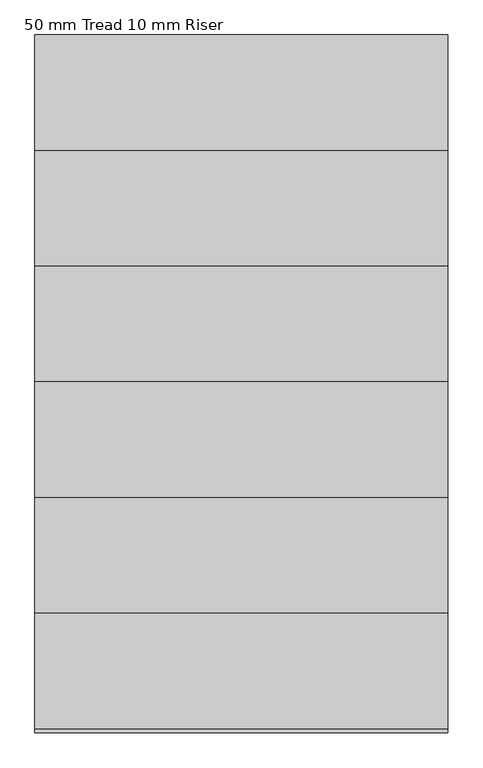
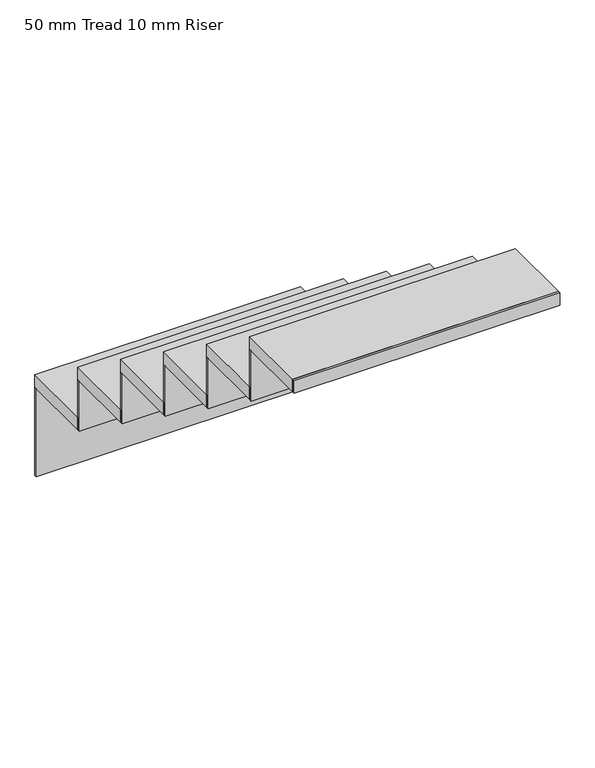
"""IFC4 building model written with IfcOpenShell, lengths in millimetres: stair flight geometry, 50 mm Tread 10 mm Riser."""

import ifcopenshell
import ifcopenshell.guid

model = None  # the IFC model being written
_history = None  # IfcOwnerHistory: only IFC2X3 demands one
_inside = {}  # id of a spatial element -> (the spatial element, [elements in it])
_under = {}  # id of a project, library or spatial element -> (it, [spatial elements below it])
_declared = {}  # id of a project -> (the project, [libraries it declares])
_typed = {}  # id of a type object -> (the type object, [elements of that type])
_made_of = {}  # id of a material, layer set ... -> (it, [elements and type objects made of it])


def new_model(schema):
    """Start an empty IFC model of exactly this schema.

    Asked for "IFC4X3", IfcOpenShell would pick the latest addendum, in which some entities
    have other attributes; the version numbers below select the first issue.
    IFC2X3 requires an IfcOwnerHistory on every rooted entity: one is made here for all.
    """
    global model, _history
    if schema == "IFC4X3":
        model = ifcopenshell.file(schema_version=(4, 3, 0, 0))
    else:
        model = ifcopenshell.file(schema=schema)
    _inside.clear()
    _under.clear()
    _declared.clear()
    _typed.clear()
    _made_of.clear()
    _history = None
    if model.schema == "IFC2X3":
        org = make("IfcOrganization", Name="unknown")
        user = make(
            "IfcPersonAndOrganization",
            ThePerson=make("IfcPerson", FamilyName="unknown"),
            TheOrganization=org,
        )
        app = make(
            "IfcApplication",
            ApplicationDeveloper=org,
            Version="unknown",
            ApplicationFullName="unknown",
            ApplicationIdentifier="unknown",
        )
        _history = make(
            "IfcOwnerHistory",
            OwningUser=user,
            OwningApplication=app,
            ChangeAction="ADDED",
            CreationDate=0,
        )
    return model


def make(cls, **values):
    """One entity of the class cls with the attributes given. An attribute that is None is left unset."""
    return model.create_entity(
        cls, **{name: value for name, value in values.items() if value is not None}
    )


def rooted(cls, **values):
    """An entity with a GlobalId (a new one), such as an element, a storey or a relation."""
    return make(cls, GlobalId=ifcopenshell.guid.new(), OwnerHistory=_history, **values)


def si_unit(unit_type, name, prefix=None):
    """IfcSIUnit, for example si_unit("LENGTHUNIT", "METRE", prefix="MILLI")."""
    return make("IfcSIUnit", UnitType=unit_type, Prefix=prefix, Name=name)


def assignment(units):
    """IfcUnitAssignment: the units of a project."""
    return None if units is None else make("IfcUnitAssignment", Units=units)


def point(xyz):
    """IfcCartesianPoint."""
    return None if xyz is None else make("IfcCartesianPoint", Coordinates=xyz)


def direction(xyz):
    """IfcDirection."""
    return None if xyz is None else make("IfcDirection", DirectionRatios=xyz)


def frame(location, z_axis=None, x_axis=None):
    """IfcAxis2Placement3D, a coordinate frame: its origin and axes. An axis left out is left unset."""
    return make(
        "IfcAxis2Placement3D",
        Location=point(location),
        Axis=direction(z_axis),
        RefDirection=direction(x_axis),
    )


def origin():
    """The frame at (0, 0, 0) with its axes left unset."""
    return frame((0.0, 0.0, 0.0))


def place(relative_to, where):
    """IfcLocalPlacement: puts the frame where relative to a parent placement (None: the world)."""
    return make(
        "IfcLocalPlacement", PlacementRelTo=relative_to, RelativePlacement=where
    )


def context(
    kind, dimensions, precision=None, world=None, true_north=None, identifier=None
):
    """IfcGeometricRepresentationContext, for example the 3D "Model" context."""
    return make(
        "IfcGeometricRepresentationContext",
        ContextIdentifier=identifier,
        ContextType=kind,
        CoordinateSpaceDimension=dimensions,
        Precision=precision,
        WorldCoordinateSystem=world,
        TrueNorth=true_north,
    )


def project(units=None, contexts=None):
    """IfcProject with its units and contexts."""
    return rooted(
        "IfcProject",
        Name="project",
        RepresentationContexts=contexts,
        UnitsInContext=assignment(units),
    )


def spatial(cls, under=None, at=None, **own):
    """A site, building, storey or space (cls), placed at a placement, below another one or the project."""
    s = rooted(cls, ObjectPlacement=at, **own)
    if under is not None:
        _under.setdefault(under.id(), (under, []))[1].append(s)
    return s


def polyline(points):
    """IfcPolyline through the points."""
    return make("IfcPolyline", Points=[point(p) for p in points])


def outline(outer, holes=None, kind="AREA"):
    """IfcArbitraryClosedProfileDef: a profile drawn as a closed curve; with holes, ...WithVoids."""
    if holes is None:
        return make("IfcArbitraryClosedProfileDef", ProfileType=kind, OuterCurve=outer)
    return make(
        "IfcArbitraryProfileDefWithVoids",
        ProfileType=kind,
        OuterCurve=outer,
        InnerCurves=holes,
    )


def extrude(swept, where, along, depth):
    """IfcExtrudedAreaSolid: the profile swept, set in the frame where, extruded along a direction by depth."""
    return make(
        "IfcExtrudedAreaSolid",
        SweptArea=swept,
        Position=where,
        ExtrudedDirection=direction(along),
        Depth=depth,
    )


def shape(context_of_items, identifier, shape_type, items):
    """IfcShapeRepresentation: the items that make up one representation, for example the "Body"."""
    return make(
        "IfcShapeRepresentation",
        ContextOfItems=context_of_items,
        RepresentationIdentifier=identifier,
        RepresentationType=shape_type,
        Items=items,
    )


def source(mapping_origin, context_of_items, identifier, shape_type, items):
    """IfcRepresentationMap: a shape defined once, which mapped items show again and again."""
    return make(
        "IfcRepresentationMap",
        MappingOrigin=mapping_origin,
        MappedRepresentation=shape(context_of_items, identifier, shape_type, items),
    )


def transform(
    local_origin,
    x_axis=None,
    y_axis=None,
    z_axis=None,
    scale=None,
    scale2=None,
    scale3=None,
    uniform=True,
):
    """IfcCartesianTransformationOperator3D, or its non-uniform kind. x_axis, y_axis, z_axis: its Axis1, 2, 3."""
    if uniform:
        return make(
            "IfcCartesianTransformationOperator3D",
            Axis1=direction(x_axis),
            Axis2=direction(y_axis),
            LocalOrigin=point(local_origin),
            Scale=scale,
            Axis3=direction(z_axis),
        )
    return make(
        "IfcCartesianTransformationOperator3DnonUniform",
        Axis1=direction(x_axis),
        Axis2=direction(y_axis),
        LocalOrigin=point(local_origin),
        Scale=scale,
        Axis3=direction(z_axis),
        Scale2=scale2,
        Scale3=scale3,
    )


def mapped(mapping_source, mapping_target):
    """IfcMappedItem: shows the shape of a source again, moved by a transform."""
    return make(
        "IfcMappedItem", MappingSource=mapping_source, MappingTarget=mapping_target
    )


def made_of(thing, what):
    """Note that an element or type object is made of a material, layer set ...; save() writes the relation."""
    if what is not None:
        _made_of.setdefault(what.id(), (what, []))[1].append(thing)
    return thing


def element(
    cls,
    number,
    at=None,
    inside=None,
    cuts=None,
    type_object=None,
    material=None,
    context=None,
    identifier="Body",
    shape_type=None,
    held_by="IfcProductDefinitionShape",
    body=None,
    shapes=None,
    **own,
):
    """One element of the class cls, such as IfcWall. Its Tag is "e" and its number.

    at: its placement. inside: the storey or other place that contains it. cuts: it is an
    opening in that element (IfcRelVoidsElement). A single representation is given by context,
    identifier, shape_type and body (its items); several are given by shapes. held_by: the class
    of the entity that holds the representations. save() writes the other relations.
    """
    e = rooted(cls, Tag="e%d" % number, ObjectPlacement=at, **own)
    if body is not None:
        shapes = [shape(context, identifier, shape_type, body)]
    if shapes is not None:
        e.Representation = make(held_by, Representations=shapes)
    if inside is not None:
        _inside.setdefault(inside.id(), (inside, []))[1].append(e)
    if cuts is not None:
        rooted(
            "IfcRelVoidsElement", RelatingBuildingElement=cuts, RelatedOpeningElement=e
        )
    if type_object is not None:
        _typed.setdefault(type_object.id(), (type_object, []))[1].append(e)
    return made_of(e, material)


def aggregate(whole, parts):
    """IfcRelAggregates: a whole, such as a stair, and the parts it consists of."""
    return rooted("IfcRelAggregates", RelatingObject=whole, RelatedObjects=parts)


def save(model, path):
    """Write the relations noted so far, then the file.

    IfcRelAggregates (storeys below a building ...), IfcRelContainedInSpatialStructure (elements
    in a storey), IfcRelDefinesByType, IfcRelAssociatesMaterial and IfcRelDeclares: one each for
    every whole, place, type object, material and project.
    """
    for whole, parts in _under.values():
        aggregate(whole, parts)
    for where, things in _inside.values():
        rooted(
            "IfcRelContainedInSpatialStructure",
            RelatedElements=things,
            RelatingStructure=where,
        )
    for kind, things in _typed.values():
        rooted("IfcRelDefinesByType", RelatedObjects=things, RelatingType=kind)
    for what, things in _made_of.values():
        rooted("IfcRelAssociatesMaterial", RelatedObjects=things, RelatingMaterial=what)
    for by, libraries in _declared.values():
        rooted("IfcRelDeclares", RelatingContext=by, RelatedDefinitions=libraries)
    model.write(path)


def stair_flight_50_mm_tread_10_mm_riser_47e49d00(model_context):
    return source(origin(), model_context, "Body", "SweptSolid", [
        extrude(outline(polyline([(6455.1809005, 628.1591595), (5455.1809005, 628.1591595), (5455.1809005, 908.1591595), (6455.1809005, 908.1591595), (6455.1809005, 628.1591595)])), frame((0.0, 0.0, -1250.0), z_axis=(0.0, 0.0, 1.0), x_axis=(1.0, 0.0, 0.0)), (0.0, 0.0, 1.0), 50.0),
        extrude(outline(polyline([(5455.1809005, 898.1591595), (5455.1809005, 908.1591595), (6455.1809005, 908.1591595), (6455.1809005, 898.1591595), (5455.1809005, 898.1591595)])), frame((0.0, 0.0, -1600.0), z_axis=(0.0, 0.0, 1.0), x_axis=(1.0, 0.0, 0.0)), (0.0, 0.0, 1.0), 350.0),
        extrude(outline(polyline([(6455.1809005, 348.1591595), (5455.1809005, 348.1591595), (5455.1809005, 628.1591595), (6455.1809005, 628.1591595), (6455.1809005, 348.1591595)])), frame((0.0, 0.0, -1050.0), z_axis=(0.0, 0.0, 1.0), x_axis=(1.0, 0.0, 0.0)), (0.0, 0.0, 1.0), 50.0),
        extrude(outline(polyline([(5455.1809005, 618.1591595), (5455.1809005, 628.1591595), (6455.1809005, 628.1591595), (6455.1809005, 618.1591595), (5455.1809005, 618.1591595)])), frame((0.0, 0.0, -1250.0), z_axis=(0.0, 0.0, 1.0), x_axis=(1.0, 0.0, 0.0)), (0.0, 0.0, 1.0), 200.0),
        extrude(outline(polyline([(6455.1809005, 68.1591595), (5455.1809005, 68.1591595), (5455.1809005, 348.1591595), (6455.1809005, 348.1591595), (6455.1809005, 68.1591595)])), frame((0.0, 0.0, -850.0), z_axis=(0.0, 0.0, 1.0), x_axis=(1.0, 0.0, 0.0)), (0.0, 0.0, 1.0), 50.0),
        extrude(outline(polyline([(5455.1809005, 338.1591595), (5455.1809005, 348.1591595), (6455.1809005, 348.1591595), (6455.1809005, 338.1591595), (5455.1809005, 338.1591595)])), frame((0.0, 0.0, -1050.0), z_axis=(0.0, 0.0, 1.0), x_axis=(1.0, 0.0, 0.0)), (0.0, 0.0, 1.0), 200.0),
        extrude(outline(polyline([(6455.1809005, -211.8408405), (5455.1809005, -211.8408405), (5455.1809005, 68.1591595), (6455.1809005, 68.1591595), (6455.1809005, -211.8408405)])), frame((0.0, 0.0, -650.0), z_axis=(0.0, 0.0, 1.0), x_axis=(1.0, 0.0, 0.0)), (0.0, 0.0, 1.0), 50.0),
        extrude(outline(polyline([(5455.1809005, 58.1591595), (5455.1809005, 68.1591595), (6455.1809005, 68.1591595), (6455.1809005, 58.1591595), (5455.1809005, 58.1591595)])), frame((0.0, 0.0, -850.0), z_axis=(0.0, 0.0, 1.0), x_axis=(1.0, 0.0, 0.0)), (0.0, 0.0, 1.0), 200.0),
        extrude(outline(polyline([(6455.1809005, -491.8408405), (5455.1809005, -491.8408405), (5455.1809005, -211.8408405), (6455.1809005, -211.8408405), (6455.1809005, -491.8408405)])), frame((0.0, 0.0, -450.0), z_axis=(0.0, 0.0, 1.0), x_axis=(1.0, 0.0, 0.0)), (0.0, 0.0, 1.0), 50.0),
        extrude(outline(polyline([(5455.1809005, -221.8408405), (5455.1809005, -211.8408405), (6455.1809005, -211.8408405), (6455.1809005, -221.8408405), (5455.1809005, -221.8408405)])), frame((0.0, 0.0, -650.0), z_axis=(0.0, 0.0, 1.0), x_axis=(1.0, 0.0, 0.0)), (0.0, 0.0, 1.0), 200.0),
        extrude(outline(polyline([(6455.1809005, -771.8408405), (5455.1809005, -771.8408405), (5455.1809005, -491.8408405), (6455.1809005, -491.8408405), (6455.1809005, -771.8408405)])), frame((0.0, 0.0, -250.0), z_axis=(0.0, 0.0, 1.0), x_axis=(1.0, 0.0, 0.0)), (0.0, 0.0, 1.0), 50.0),
        extrude(outline(polyline([(5455.1809005, -501.8408405), (5455.1809005, -491.8408405), (6455.1809005, -491.8408405), (6455.1809005, -501.8408405), (5455.1809005, -501.8408405)])), frame((0.0, 0.0, -450.0), z_axis=(0.0, 0.0, 1.0), x_axis=(1.0, 0.0, 0.0)), (0.0, 0.0, 1.0), 200.0),
        extrude(outline(polyline([(5455.1809005, -781.8408405), (5455.1809005, -771.8408405), (6455.1809005, -771.8408405), (6455.1809005, -781.8408405), (5455.1809005, -781.8408405)])), frame((0.0, 0.0, -250.0), z_axis=(0.0, 0.0, 1.0), x_axis=(1.0, 0.0, 0.0)), (0.0, 0.0, 1.0), 50.0),
    ])


if __name__ == "__main__":
    model = new_model("IFC4")
    model_context = context("Model", 3, world=origin())
    ifc_project = project(units=[si_unit("LENGTHUNIT", "METRE", prefix="MILLI")], contexts=[model_context])
    site = spatial("IfcSite", under=ifc_project)
    building = spatial("IfcBuilding", under=site)
    placement = place(None, origin())
    stair_flight_50_mm_tread_10_mm_riser_shape = stair_flight_50_mm_tread_10_mm_riser_47e49d00(model_context)
    element("IfcStairFlight", 1, ObjectType="50 mm Tread 10 mm Riser", at=placement, inside=building, context=model_context, shape_type="MappedRepresentation", body=[
        mapped(stair_flight_50_mm_tread_10_mm_riser_shape, transform((0.0, 0.0, 0.0), x_axis=(1.0, 0.0, 0.0), y_axis=(0.0, 1.0, 0.0), z_axis=(0.0, 0.0, 1.0))),
    ])
    save(model, "model.ifc")
